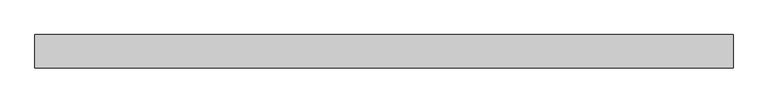
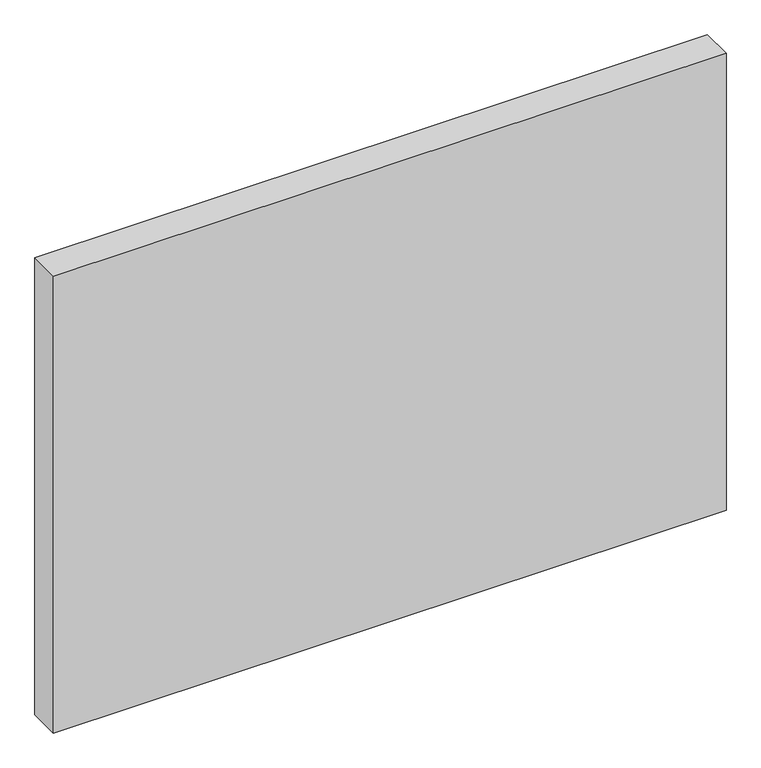
"""IFC4 building model written with IfcOpenShell, lengths in millimetres: proxy geometry."""

from ifc_helpers import new_model, si_unit, frame, origin, place, context, project, spatial, polyline, outline, extrude, source, transform, mapped, element, save


def generic_models_6edb5c21(model_context):
    return source(origin(), model_context, "Body", "SweptSolid", [
        extrude(outline(polyline([(1830.5, 0.0), (-1830.5, 0.0), (-1830.5, 175.0), (1830.5, 175.0), (1830.5, 0.0)])), frame((0.0, 0.0, -140.0), z_axis=(0.0, 0.0, 1.0), x_axis=(1.0, 0.0, 0.0)), (0.0, 0.0, 1.0), 2630.0),
    ])


if __name__ == "__main__":
    model = new_model("IFC4")
    model_context = context("Model", 3, world=origin())
    ifc_project = project(units=[si_unit("LENGTHUNIT", "METRE", prefix="MILLI")], contexts=[model_context])
    site = spatial("IfcSite", under=ifc_project)
    building = spatial("IfcBuilding", under=site)
    placement = place(None, origin())
    generic_models_shape = generic_models_6edb5c21(model_context)
    element("IfcBuildingElementProxy", 1, Name="Generic Models", at=placement, inside=building, context=model_context, shape_type="MappedRepresentation", body=[
        mapped(generic_models_shape, transform((0.0, 0.0, 0.0), x_axis=(1.0, 0.0, 0.0), y_axis=(0.0, 1.0, 0.0), z_axis=(0.0, 0.0, 1.0))),
    ])
    save(model, "model.ifc")
